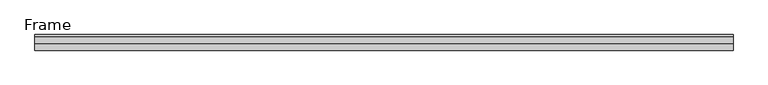
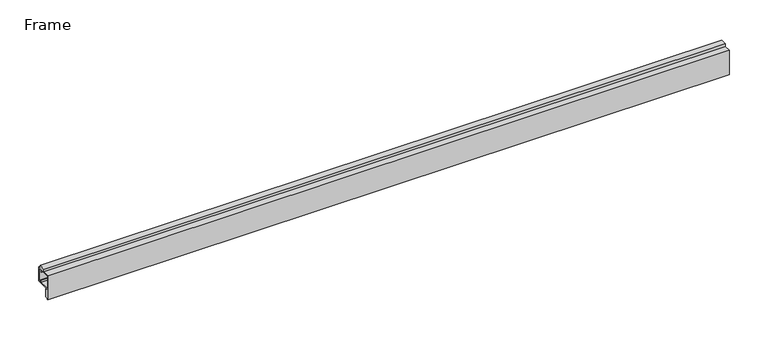
"""IFC4 building model written with IfcOpenShell, lengths in millimetres: proxy geometry, Frame."""

from ifc_helpers import new_model, si_unit, frame, origin, place, context, project, spatial, polyline, outline, extrude, source, transform, mapped, element, save


def frame_c38bce5c(model_context):
    return source(origin(), model_context, "Body", "SweptSolid", [
        extrude(outline(polyline([(107.3195987, 42.5140437), (117.3195987, 42.5140437), (117.3195987, 38.2468437), (120.3675987, 38.2468437), (120.3675987, 16.0218437), (99.3676407, 16.0218437), (99.3676407, 14.4343437), (102.5426407, 14.4343437), (102.5426407, 1.7343437), (99.3676407, 1.7343437), (99.3676407, 0.0), (97.7166407, 0.0), (97.7166407, 38.2468437), (107.3195987, 38.2468437), (107.3195987, 42.5140437)]), holes=[polyline([(114.3985987, 36.0878437), (99.3676407, 36.0878437), (99.3676407, 17.6728437), (114.3985987, 17.6728437), (114.3985987, 20.4668437), (116.0495987, 20.4668437), (116.0495987, 17.6728437), (118.7165987, 17.6728437), (118.7165987, 36.0878437), (116.0495987, 36.0878437), (116.0495987, 33.2938437), (114.3985987, 33.2938437), (114.3985987, 36.0878437)])]), frame((-161.8809653, 0.0, 0.0), z_axis=(1.0, 0.0, 0.0), x_axis=(0.0, 1.0, 0.0)), (0.0, 0.0, 1.0), 1012.2408),
    ])


if __name__ == "__main__":
    model = new_model("IFC4")
    model_context = context("Model", 3, world=origin())
    ifc_project = project(units=[si_unit("LENGTHUNIT", "METRE", prefix="MILLI")], contexts=[model_context])
    site = spatial("IfcSite", under=ifc_project)
    building = spatial("IfcBuilding", under=site)
    placement = place(None, origin())
    ifc_frame_shape = frame_c38bce5c(model_context)
    element("IfcBuildingElementProxy", 1, Name="Frame", ObjectType="Frame", at=placement, inside=building, context=model_context, shape_type="MappedRepresentation", body=[
        mapped(ifc_frame_shape, transform((0.0, 0.0, 0.0), x_axis=(1.0, 0.0, 0.0), y_axis=(0.0, 1.0, 0.0), z_axis=(0.0, 0.0, 1.0))),
    ])
    save(model, "model.ifc")
